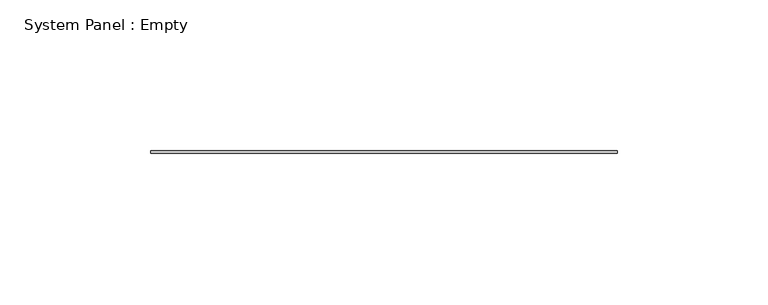
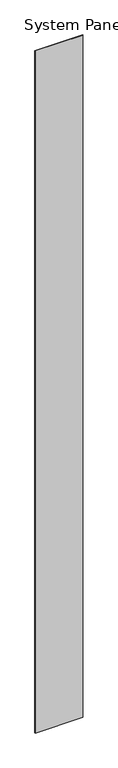
"""IFC4 building model written with IfcOpenShell, lengths in millimetres: plate geometry, System Panel : Empty."""

from ifc_helpers import new_model, si_unit, origin, origin_with_axes, place, context, project, spatial, polyline, outline, extrude, source, transform, mapped, element, save


def system_panel_empty_06e0e441(model_context):
    return source(origin(), model_context, "Body", "SweptSolid", [
        extrude(outline(polyline([(77.4667935, -0.396875), (-77.4667935, -0.396875), (-77.4667935, 0.396875), (77.4667935, 0.396875), (77.4667935, -0.396875)])), origin_with_axes(), (0.0, 0.0, 1.0), 2330.45),
    ])


if __name__ == "__main__":
    model = new_model("IFC4")
    model_context = context("Model", 3, world=origin())
    ifc_project = project(units=[si_unit("LENGTHUNIT", "METRE", prefix="MILLI")], contexts=[model_context])
    site = spatial("IfcSite", under=ifc_project)
    building = spatial("IfcBuilding", under=site)
    placement = place(None, origin())
    system_panel_empty_shape = system_panel_empty_06e0e441(model_context)
    element("IfcPlate", 1, ObjectType="System Panel : Empty", at=placement, inside=building, context=model_context, shape_type="MappedRepresentation", body=[
        mapped(system_panel_empty_shape, transform((0.0, 0.0, 0.0), x_axis=(1.0, 0.0, 0.0), y_axis=(0.0, 1.0, 0.0), z_axis=(0.0, 0.0, 1.0))),
    ])
    save(model, "model.ifc")
